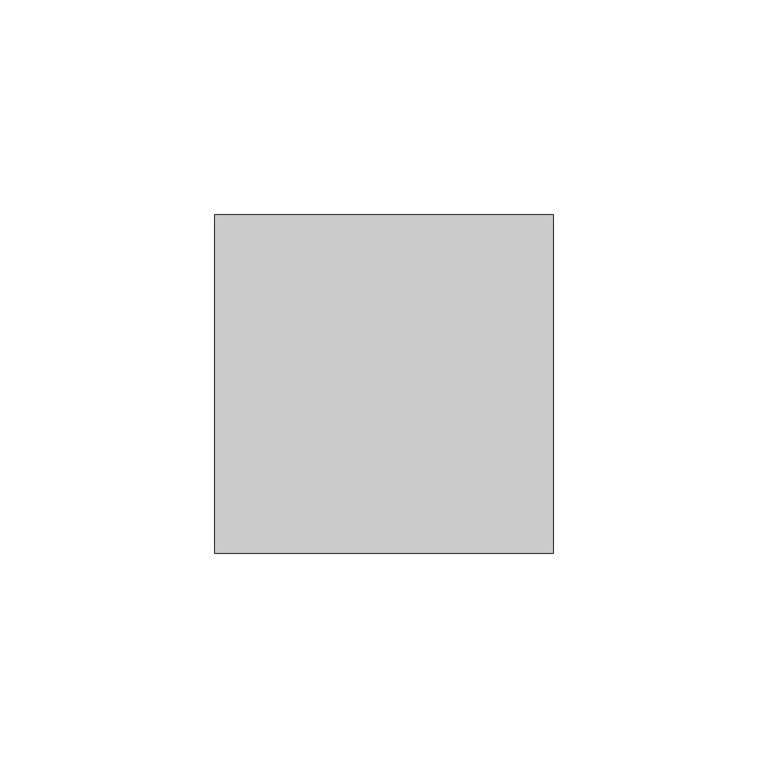
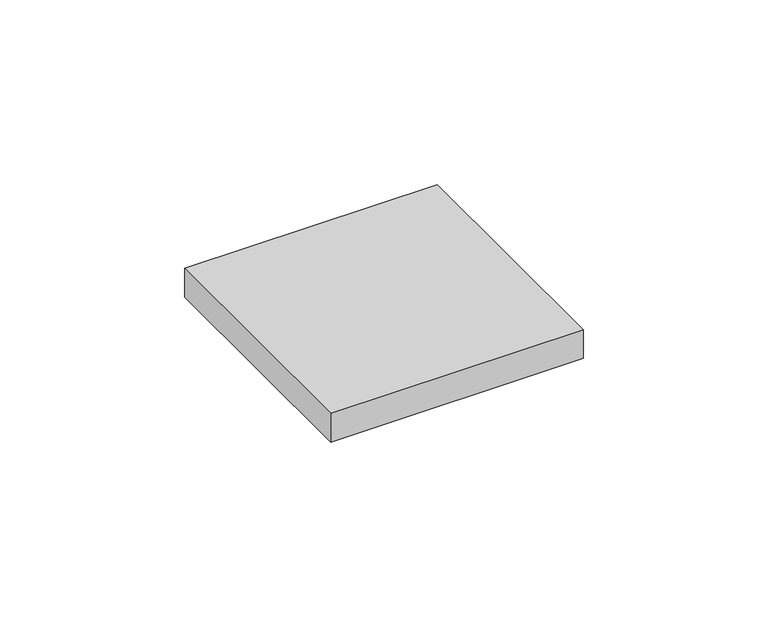
"""IFC4 building model written with IfcOpenShell, lengths in millimetres: furniture geometry."""

import ifcopenshell
import ifcopenshell.guid

model = None  # the IFC model being written
_history = None  # IfcOwnerHistory: only IFC2X3 demands one
_inside = {}  # id of a spatial element -> (the spatial element, [elements in it])
_under = {}  # id of a project, library or spatial element -> (it, [spatial elements below it])
_declared = {}  # id of a project -> (the project, [libraries it declares])
_typed = {}  # id of a type object -> (the type object, [elements of that type])
_made_of = {}  # id of a material, layer set ... -> (it, [elements and type objects made of it])


def new_model(schema):
    """Start an empty IFC model of exactly this schema.

    Asked for "IFC4X3", IfcOpenShell would pick the latest addendum, in which some entities
    have other attributes; the version numbers below select the first issue.
    IFC2X3 requires an IfcOwnerHistory on every rooted entity: one is made here for all.
    """
    global model, _history
    if schema == "IFC4X3":
        model = ifcopenshell.file(schema_version=(4, 3, 0, 0))
    else:
        model = ifcopenshell.file(schema=schema)
    _inside.clear()
    _under.clear()
    _declared.clear()
    _typed.clear()
    _made_of.clear()
    _history = None
    if model.schema == "IFC2X3":
        org = make("IfcOrganization", Name="unknown")
        user = make(
            "IfcPersonAndOrganization",
            ThePerson=make("IfcPerson", FamilyName="unknown"),
            TheOrganization=org,
        )
        app = make(
            "IfcApplication",
            ApplicationDeveloper=org,
            Version="unknown",
            ApplicationFullName="unknown",
            ApplicationIdentifier="unknown",
        )
        _history = make(
            "IfcOwnerHistory",
            OwningUser=user,
            OwningApplication=app,
            ChangeAction="ADDED",
            CreationDate=0,
        )
    return model


def make(cls, **values):
    """One entity of the class cls with the attributes given. An attribute that is None is left unset."""
    return model.create_entity(
        cls, **{name: value for name, value in values.items() if value is not None}
    )


def rooted(cls, **values):
    """An entity with a GlobalId (a new one), such as an element, a storey or a relation."""
    return make(cls, GlobalId=ifcopenshell.guid.new(), OwnerHistory=_history, **values)


def si_unit(unit_type, name, prefix=None):
    """IfcSIUnit, for example si_unit("LENGTHUNIT", "METRE", prefix="MILLI")."""
    return make("IfcSIUnit", UnitType=unit_type, Prefix=prefix, Name=name)


def assignment(units):
    """IfcUnitAssignment: the units of a project."""
    return None if units is None else make("IfcUnitAssignment", Units=units)


def point(xyz):
    """IfcCartesianPoint."""
    return None if xyz is None else make("IfcCartesianPoint", Coordinates=xyz)


def direction(xyz):
    """IfcDirection."""
    return None if xyz is None else make("IfcDirection", DirectionRatios=xyz)


def frame(location, z_axis=None, x_axis=None):
    """IfcAxis2Placement3D, a coordinate frame: its origin and axes. An axis left out is left unset."""
    return make(
        "IfcAxis2Placement3D",
        Location=point(location),
        Axis=direction(z_axis),
        RefDirection=direction(x_axis),
    )


def origin():
    """The frame at (0, 0, 0) with its axes left unset."""
    return frame((0.0, 0.0, 0.0))


def place(relative_to, where):
    """IfcLocalPlacement: puts the frame where relative to a parent placement (None: the world)."""
    return make(
        "IfcLocalPlacement", PlacementRelTo=relative_to, RelativePlacement=where
    )


def context(
    kind, dimensions, precision=None, world=None, true_north=None, identifier=None
):
    """IfcGeometricRepresentationContext, for example the 3D "Model" context."""
    return make(
        "IfcGeometricRepresentationContext",
        ContextIdentifier=identifier,
        ContextType=kind,
        CoordinateSpaceDimension=dimensions,
        Precision=precision,
        WorldCoordinateSystem=world,
        TrueNorth=true_north,
    )


def project(units=None, contexts=None):
    """IfcProject with its units and contexts."""
    return rooted(
        "IfcProject",
        Name="project",
        RepresentationContexts=contexts,
        UnitsInContext=assignment(units),
    )


def spatial(cls, under=None, at=None, **own):
    """A site, building, storey or space (cls), placed at a placement, below another one or the project."""
    s = rooted(cls, ObjectPlacement=at, **own)
    if under is not None:
        _under.setdefault(under.id(), (under, []))[1].append(s)
    return s


def polyline(points):
    """IfcPolyline through the points."""
    return make("IfcPolyline", Points=[point(p) for p in points])


def outline(outer, holes=None, kind="AREA"):
    """IfcArbitraryClosedProfileDef: a profile drawn as a closed curve; with holes, ...WithVoids."""
    if holes is None:
        return make("IfcArbitraryClosedProfileDef", ProfileType=kind, OuterCurve=outer)
    return make(
        "IfcArbitraryProfileDefWithVoids",
        ProfileType=kind,
        OuterCurve=outer,
        InnerCurves=holes,
    )


def extrude(swept, where, along, depth):
    """IfcExtrudedAreaSolid: the profile swept, set in the frame where, extruded along a direction by depth."""
    return make(
        "IfcExtrudedAreaSolid",
        SweptArea=swept,
        Position=where,
        ExtrudedDirection=direction(along),
        Depth=depth,
    )


def shape(context_of_items, identifier, shape_type, items):
    """IfcShapeRepresentation: the items that make up one representation, for example the "Body"."""
    return make(
        "IfcShapeRepresentation",
        ContextOfItems=context_of_items,
        RepresentationIdentifier=identifier,
        RepresentationType=shape_type,
        Items=items,
    )


def source(mapping_origin, context_of_items, identifier, shape_type, items):
    """IfcRepresentationMap: a shape defined once, which mapped items show again and again."""
    return make(
        "IfcRepresentationMap",
        MappingOrigin=mapping_origin,
        MappedRepresentation=shape(context_of_items, identifier, shape_type, items),
    )


def transform(
    local_origin,
    x_axis=None,
    y_axis=None,
    z_axis=None,
    scale=None,
    scale2=None,
    scale3=None,
    uniform=True,
):
    """IfcCartesianTransformationOperator3D, or its non-uniform kind. x_axis, y_axis, z_axis: its Axis1, 2, 3."""
    if uniform:
        return make(
            "IfcCartesianTransformationOperator3D",
            Axis1=direction(x_axis),
            Axis2=direction(y_axis),
            LocalOrigin=point(local_origin),
            Scale=scale,
            Axis3=direction(z_axis),
        )
    return make(
        "IfcCartesianTransformationOperator3DnonUniform",
        Axis1=direction(x_axis),
        Axis2=direction(y_axis),
        LocalOrigin=point(local_origin),
        Scale=scale,
        Axis3=direction(z_axis),
        Scale2=scale2,
        Scale3=scale3,
    )


def mapped(mapping_source, mapping_target):
    """IfcMappedItem: shows the shape of a source again, moved by a transform."""
    return make(
        "IfcMappedItem", MappingSource=mapping_source, MappingTarget=mapping_target
    )


def made_of(thing, what):
    """Note that an element or type object is made of a material, layer set ...; save() writes the relation."""
    if what is not None:
        _made_of.setdefault(what.id(), (what, []))[1].append(thing)
    return thing


def element(
    cls,
    number,
    at=None,
    inside=None,
    cuts=None,
    type_object=None,
    material=None,
    context=None,
    identifier="Body",
    shape_type=None,
    held_by="IfcProductDefinitionShape",
    body=None,
    shapes=None,
    **own,
):
    """One element of the class cls, such as IfcWall. Its Tag is "e" and its number.

    at: its placement. inside: the storey or other place that contains it. cuts: it is an
    opening in that element (IfcRelVoidsElement). A single representation is given by context,
    identifier, shape_type and body (its items); several are given by shapes. held_by: the class
    of the entity that holds the representations. save() writes the other relations.
    """
    e = rooted(cls, Tag="e%d" % number, ObjectPlacement=at, **own)
    if body is not None:
        shapes = [shape(context, identifier, shape_type, body)]
    if shapes is not None:
        e.Representation = make(held_by, Representations=shapes)
    if inside is not None:
        _inside.setdefault(inside.id(), (inside, []))[1].append(e)
    if cuts is not None:
        rooted(
            "IfcRelVoidsElement", RelatingBuildingElement=cuts, RelatedOpeningElement=e
        )
    if type_object is not None:
        _typed.setdefault(type_object.id(), (type_object, []))[1].append(e)
    return made_of(e, material)


def aggregate(whole, parts):
    """IfcRelAggregates: a whole, such as a stair, and the parts it consists of."""
    return rooted("IfcRelAggregates", RelatingObject=whole, RelatedObjects=parts)


def save(model, path):
    """Write the relations noted so far, then the file.

    IfcRelAggregates (storeys below a building ...), IfcRelContainedInSpatialStructure (elements
    in a storey), IfcRelDefinesByType, IfcRelAssociatesMaterial and IfcRelDeclares: one each for
    every whole, place, type object, material and project.
    """
    for whole, parts in _under.values():
        aggregate(whole, parts)
    for where, things in _inside.values():
        rooted(
            "IfcRelContainedInSpatialStructure",
            RelatedElements=things,
            RelatingStructure=where,
        )
    for kind, things in _typed.values():
        rooted("IfcRelDefinesByType", RelatedObjects=things, RelatingType=kind)
    for what, things in _made_of.values():
        rooted("IfcRelAssociatesMaterial", RelatedObjects=things, RelatingMaterial=what)
    for by, libraries in _declared.values():
        rooted("IfcRelDeclares", RelatingContext=by, RelatedDefinitions=libraries)
    model.write(path)


def furniture_dc11cfd5(model_context):
    return source(origin(), model_context, "Body", "SweptSolid", [
        extrude(outline(polyline([(39.4890625, 39.4890625), (39.4890625, -39.4890625), (-39.4890625, -39.4890625), (-39.4890625, 39.4890625), (39.4890625, 39.4890625)])), frame((0.0, 0.0, 1709.1421875), z_axis=(0.0, 0.0, 1.0), x_axis=(1.0, 0.0, 0.0)), (0.0, 0.0, 1.0), 9.525),
    ])


if __name__ == "__main__":
    model = new_model("IFC4")
    model_context = context("Model", 3, world=origin())
    ifc_project = project(units=[si_unit("LENGTHUNIT", "METRE", prefix="MILLI")], contexts=[model_context])
    site = spatial("IfcSite", under=ifc_project)
    building = spatial("IfcBuilding", under=site)
    placement = place(None, origin())
    furniture_shape = furniture_dc11cfd5(model_context)
    element("IfcFurniture", 1, at=placement, inside=building, context=model_context, shape_type="MappedRepresentation", body=[
        mapped(furniture_shape, transform((0.0, 0.0, 0.0), x_axis=(1.0, 0.0, 0.0), y_axis=(0.0, 1.0, 0.0), z_axis=(0.0, 0.0, 1.0))),
    ])
    save(model, "model.ifc")
